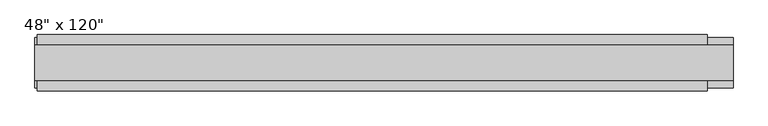
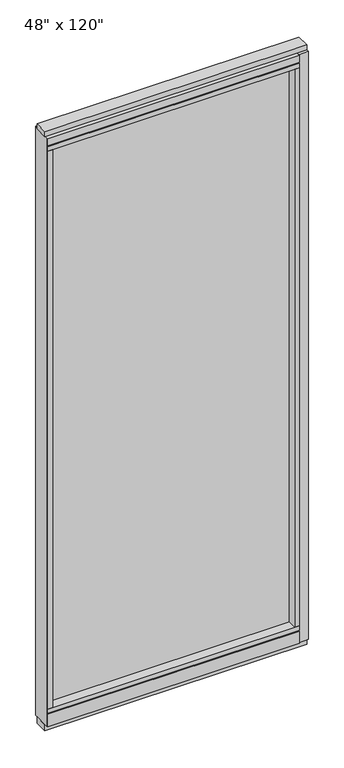
"""IFC4 building model written with IfcOpenShell, lengths in millimetres: furniture geometry."""

from ifc_helpers import new_model, si_unit, frame, origin, origin_with_axes, place, context, project, spatial, polyline, outline, extrude, source, transform, mapped, element, save


def furniture_fd9b885c(model_context):
    return source(origin(), model_context, "Body", "SweptSolid", [
        extrude(outline(polyline([(523.4014771, -9.5977216), (-643.4745229, -9.5977216), (-643.4745229, 0.5622784), (523.4014771, 0.5622784), (523.4014771, -9.5977216)])), frame((0.0, 0.0, 120.523), z_axis=(0.0, 0.0, 1.0), x_axis=(1.0, 0.0, 0.0)), (0.0, 0.0, 1.0), 2838.577),
        extrude(outline(polyline([(-55.3177216, 93.345), (-50.3647216, 93.345), (-50.3647216, 98.298), (41.3292784, 98.298), (41.3292784, 93.345), (46.2822784, 93.345), (46.2822784, 31.75), (-55.3177216, 31.75), (-55.3177216, 93.345)])), frame((-665.6995229, 0.0, 0.0), z_axis=(1.0, 0.0, 0.0), x_axis=(0.0, 1.0, 0.0)), (0.0, 0.0, 1.0), 1211.326),
        extrude(outline(polyline([(-665.6995229, -55.3177216), (-665.6995229, 46.2822784), (545.6264771, 46.2822784), (545.6264771, -55.3177216), (-665.6995229, -55.3177216)])), frame((0.0, 0.0, 98.298), z_axis=(0.0, 0.0, 1.0), x_axis=(1.0, 0.0, 0.0)), (0.0, 0.0, 1.0), 22.225),
        extrude(outline(polyline([(592.4894771, 27.9942784), (592.4894771, -37.0297216), (-669.6365229, -37.0297216), (-669.6365229, 27.9942784), (592.4894771, 27.9942784)])), origin_with_axes(), (0.0, 0.0, 1.0), 31.75),
        extrude(outline(polyline([(-669.6365229, -37.0297216), (-669.6365229, 27.9942784), (592.4894771, 27.9942784), (592.4894771, -37.0297216), (-669.6365229, -37.0297216)])), frame((0.0, 0.0, 3022.6), z_axis=(0.0, 0.0, 1.0), x_axis=(1.0, 0.0, 0.0)), (0.0, 0.0, 1.0), 25.4),
        extrude(outline(polyline([(-55.3177216, 2986.278), (-55.3177216, 3022.6), (46.2822784, 3022.6), (46.2822784, 2986.278), (41.3292784, 2986.278), (41.3292784, 2981.325), (-50.3647216, 2981.325), (-50.3647216, 2986.278), (-55.3177216, 2986.278)])), frame((-665.6995229, 0.0, 0.0), z_axis=(1.0, 0.0, 0.0), x_axis=(0.0, 1.0, 0.0)), (0.0, 0.0, 1.0), 1211.326),
        extrude(outline(polyline([(545.6264771, 46.2822784), (545.6264771, -55.3177216), (-665.6995229, -55.3177216), (-665.6995229, 46.2822784), (545.6264771, 46.2822784)])), frame((0.0, 0.0, 2959.1), z_axis=(0.0, 0.0, 1.0), x_axis=(1.0, 0.0, 0.0)), (0.0, 0.0, 1.0), 22.225),
        extrude(outline(polyline([(523.4014771, -55.3177216), (523.4014771, 46.2822784), (545.6264771, 46.2822784), (545.6264771, -55.3177216), (523.4014771, -55.3177216)])), frame((0.0, 0.0, 120.523), z_axis=(0.0, 0.0, 1.0), x_axis=(1.0, 0.0, 0.0)), (0.0, 0.0, 1.0), 2838.577),
        extrude(outline(polyline([(-643.4745229, -55.3177216), (-665.6995229, -55.3177216), (-665.6995229, 46.2822784), (-643.4745229, 46.2822784), (-643.4745229, -55.3177216)])), frame((0.0, 0.0, 120.523), z_axis=(0.0, 0.0, 1.0), x_axis=(1.0, 0.0, 0.0)), (0.0, 0.0, 1.0), 2838.577),
        extrude(outline(polyline([(592.4894771, -50.3647216), (545.6264771, -50.3647216), (545.6264771, 41.3292784), (592.4894771, 41.3292784), (592.4894771, -50.3647216)])), frame((0.0, 0.0, 31.75), z_axis=(0.0, 0.0, 1.0), x_axis=(1.0, 0.0, 0.0)), (0.0, 0.0, 1.0), 2990.85),
        extrude(outline(polyline([(-669.6365229, -50.3647216), (-669.6365229, 41.3292784), (-665.6995229, 41.3292784), (-665.6995229, -50.3647216), (-669.6365229, -50.3647216)])), frame((0.0, 0.0, 31.75), z_axis=(0.0, 0.0, 1.0), x_axis=(1.0, 0.0, 0.0)), (0.0, 0.0, 1.0), 2990.85),
    ])


if __name__ == "__main__":
    model = new_model("IFC4")
    model_context = context("Model", 3, world=origin())
    ifc_project = project(units=[si_unit("LENGTHUNIT", "METRE", prefix="MILLI")], contexts=[model_context])
    site = spatial("IfcSite", under=ifc_project)
    building = spatial("IfcBuilding", under=site)
    placement = place(None, origin())
    furniture_shape = furniture_fd9b885c(model_context)
    element("IfcFurniture", 1, ObjectType="48\" x 120\"", at=placement, inside=building, context=model_context, shape_type="MappedRepresentation", body=[
        mapped(furniture_shape, transform((0.0, 0.0, 0.0), x_axis=(1.0, 0.0, 0.0), y_axis=(0.0, 1.0, 0.0), z_axis=(0.0, 0.0, 1.0))),
    ])
    save(model, "model.ifc")
